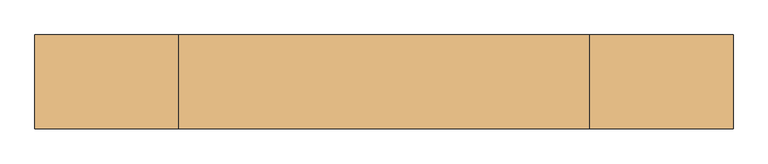
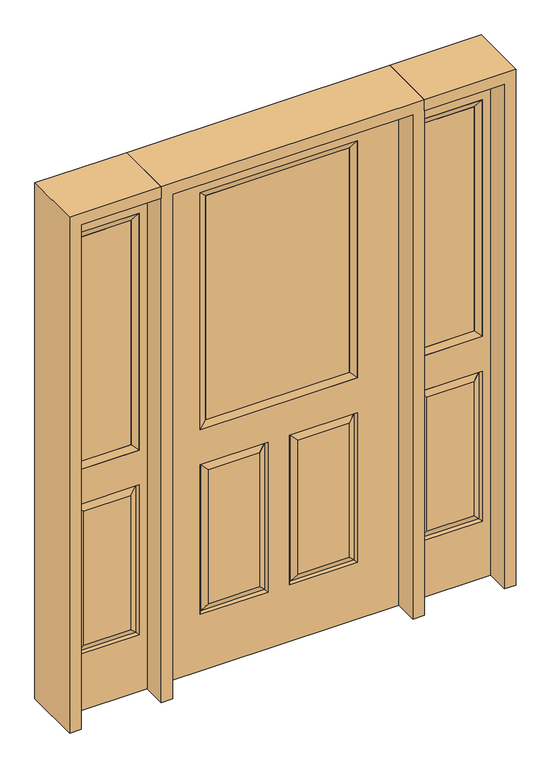
"""IFC4 building model written with IfcOpenShell, lengths in millimetres: door geometry."""

from ifc_helpers import new_model, si_unit, frame, origin, place, context, project, spatial, polyline, outline, extrude, faceted_brep, source, transform, mapped, element, save


def door_d64e4acf(model_context):
    return source(origin(), model_context, "Body", "SolidModel", [
        faceted_brep([(-457.2, -22.225, 0.0), (457.2, -22.225, 0.0), (457.2, -22.225, 2032.0), (-457.2, -22.225, 2032.0), (-299.339, -22.225, 971.55), (-299.339, -22.225, 1925.574), (299.339, -22.225, 1925.574), (299.339, -22.225, 971.55), (-299.339, -22.225, 831.85), (-41.275, -22.225, 831.85), (-41.275, -22.225, 228.6), (-299.339, -22.225, 228.6), (41.275, -22.225, 831.85), (299.339, -22.225, 831.85), (299.339, -22.225, 228.6), (41.275, -22.225, 228.6), (-73.025, -22.225, 800.1), (-267.589, -22.225, 800.1), (-267.589, -22.225, 260.35), (-73.025, -22.225, 260.35), (267.589, -22.225, 800.1), (73.025, -22.225, 800.1), (73.025, -22.225, 260.35), (267.589, -22.225, 260.35), (-457.2, 22.225, 0.0), (457.2, 22.225, 0.0), (457.2, 22.225, 2032.0), (-457.2, 22.225, 2032.0), (-299.339, 22.225, 971.55), (-299.339, 22.225, 1925.574), (299.339, 22.225, 1925.574), (299.339, 22.225, 971.55), (-41.275, 22.225, 831.85), (-299.339, 22.225, 831.85), (-299.339, 22.225, 228.6), (-41.275, 22.225, 228.6), (299.339, 22.225, 831.85), (41.275, 22.225, 831.85), (41.275, 22.225, 228.6), (299.339, 22.225, 228.6), (-267.589, 22.225, 800.1), (-73.025, 22.225, 800.1), (-73.025, 22.225, 260.35), (-267.589, 22.225, 260.35), (73.025, 22.225, 800.1), (267.589, 22.225, 800.1), (267.589, 22.225, 260.35), (73.025, 22.225, 260.35), (-48.41875, -12.7449236, 824.70625), (-292.19525, -12.7449236, 824.70625), (-292.19525, -12.7449236, 235.74375), (-48.41875, -12.7449236, 235.74375), (292.19525, -12.7449236, 824.70625), (48.41875, -12.7449236, 824.70625), (48.41875, -12.7449236, 235.74375), (292.19525, -12.7449236, 235.74375), (-292.19525, 12.7449236, 824.70625), (-48.41875, 12.7449236, 824.70625), (-48.41875, 12.7449236, 235.74375), (-292.19525, 12.7449236, 235.74375), (48.41875, 12.7449236, 824.70625), (292.19525, 12.7449236, 824.70625), (292.19525, 12.7449236, 235.74375), (48.41875, 12.7449236, 235.74375)], [[[0, 1, 2, 3], [4, 5, 6, 7], [8, 9, 10, 11], [12, 13, 14, 15]], [[16, 17, 18, 19]], [[20, 21, 22, 23]], [[1, 0, 24, 25]], [[2, 1, 25, 26]], [[0, 3, 27, 24]], [[5, 4, 28, 29]], [[7, 6, 30, 31]], [[4, 7, 31, 28]], [[24, 27, 26, 25], [28, 31, 30, 29], [32, 33, 34, 35], [36, 37, 38, 39]], [[40, 41, 42, 43]], [[44, 45, 46, 47]], [[3, 2, 26, 27]], [[6, 5, 29, 30]], [[16, 48, 49, 17]], [[17, 49, 50, 18]], [[51, 19, 18, 50]], [[48, 16, 19, 51]], [[49, 48, 9, 8]], [[9, 48, 51, 10]], [[10, 51, 50, 11]], [[49, 8, 11, 50]], [[52, 53, 21, 20]], [[21, 53, 54, 22]], [[22, 54, 55, 23]], [[52, 20, 23, 55]], [[53, 52, 13, 12]], [[13, 52, 55, 14]], [[54, 15, 14, 55]], [[53, 12, 15, 54]], [[56, 57, 41, 40]], [[41, 57, 58, 42]], [[42, 58, 59, 43]], [[56, 40, 43, 59]], [[57, 56, 33, 32]], [[33, 56, 59, 34]], [[58, 35, 34, 59]], [[57, 32, 35, 58]], [[44, 60, 61, 45]], [[45, 61, 62, 46]], [[63, 47, 46, 62]], [[60, 44, 47, 63]], [[61, 60, 37, 36]], [[37, 60, 63, 38]], [[38, 63, 62, 39]], [[61, 36, 39, 62]]]),
        extrude(outline(polyline([(273.939, -12.7), (-273.939, -12.7), (-273.939, 12.7), (273.939, 12.7), (273.939, -12.7)])), frame((0.0, 0.0, 996.95), z_axis=(0.0, 0.0, 1.0), x_axis=(1.0, 0.0, 0.0)), (0.0, 0.0, 1.0), 903.224),
        faceted_brep([(-299.339, -22.225, 1925.574), (-299.339, 22.225, 1925.574), (-299.339, 22.225, 971.55), (-299.339, -22.225, 971.55), (299.339, 22.225, 971.55), (299.339, -22.225, 971.55), (-273.939, 12.7, 996.95), (273.939, 12.7, 996.95), (299.339, 22.225, 1925.574), (299.339, -22.225, 1925.574), (-273.939, -12.7, 996.95), (273.939, -12.7, 996.95), (-273.939, -12.7, 1900.174), (273.939, -12.7, 1900.174), (-273.939, 12.7, 1900.174), (273.939, 12.7, 1900.174)], [[[0, 1, 2, 3]], [[3, 2, 4, 5]], [[2, 6, 7, 4]], [[5, 4, 8, 9]], [[10, 3, 5, 11]], [[12, 0, 3, 10]], [[11, 5, 9, 13]], [[6, 10, 11, 7]], [[14, 12, 10, 6]], [[7, 11, 13, 15]], [[1, 14, 6, 2]], [[4, 7, 15, 8]], [[9, 8, 1, 0]], [[13, 9, 0, 12]], [[15, 13, 12, 14]], [[8, 15, 14, 1]]]),
        faceted_brep([(806.45, -22.225, 0.0), (806.45, -22.225, 2032.0), (501.65, -22.225, 2032.0), (501.65, -22.225, 0.0), (532.638, -22.225, 1925.574), (775.462, -22.225, 1925.574), (775.462, -22.225, 971.55), (532.638, -22.225, 971.55), (532.638, -22.225, 228.6), (532.638, -22.225, 831.85), (775.462, -22.225, 831.85), (775.462, -22.225, 228.6), (743.5559872, -22.225, 260.5060128), (743.5559872, -22.225, 799.9439872), (564.5440128, -22.225, 799.9439872), (564.5440128, -22.225, 260.5060128), (501.65, 22.225, 0.0), (806.45, 22.225, 0.0), (501.65, 22.225, 2032.0), (806.45, 22.225, 2032.0), (532.638, 22.225, 971.55), (532.638, 22.225, 1925.574), (775.462, 22.225, 971.55), (775.462, 22.225, 1925.574), (775.462, 22.225, 228.6), (775.462, 22.225, 831.85), (532.638, 22.225, 831.85), (532.638, 22.225, 228.6), (564.5440128, 22.225, 260.5060128), (564.5440128, 22.225, 799.9439872), (743.5559872, 22.225, 799.9439872), (743.5559872, 22.225, 260.5060128), (768.5419933, -13.0418409, 235.5200067), (539.5580067, -13.0418409, 235.5200067), (768.5419933, -13.0418409, 824.9299933), (539.5580067, -13.0418409, 824.9299933), (768.5419933, 13.0418409, 235.5200067), (539.5580067, 13.0418409, 235.5200067), (539.5580067, 13.0418409, 824.9299933), (768.5419933, 13.0418409, 824.9299933)], [[[0, 1, 2, 3], [4, 5, 6, 7], [8, 9, 10, 11]], [[12, 13, 14, 15]], [[3, 16, 17, 0]], [[2, 18, 16, 3]], [[0, 17, 19, 1]], [[7, 20, 21, 4]], [[6, 22, 20, 7]], [[5, 23, 22, 6]], [[17, 16, 18, 19], [21, 20, 22, 23], [24, 25, 26, 27]], [[28, 29, 30, 31]], [[1, 19, 18, 2]], [[4, 21, 23, 5]], [[8, 11, 32, 33]], [[11, 10, 34, 32]], [[35, 34, 10, 9]], [[33, 35, 9, 8]], [[32, 12, 15, 33]], [[15, 14, 35, 33]], [[14, 13, 34, 35]], [[32, 34, 13, 12]], [[36, 24, 27, 37]], [[27, 26, 38, 37]], [[26, 25, 39, 38]], [[36, 39, 25, 24]], [[37, 28, 31, 36]], [[31, 30, 39, 36]], [[38, 39, 30, 29]], [[37, 38, 29, 28]]]),
        extrude(outline(polyline([(558.038, -12.7), (558.038, 12.7), (750.062, 12.7), (750.062, -12.7), (558.038, -12.7)])), frame((0.0, 0.0, 996.95), z_axis=(0.0, 0.0, 1.0), x_axis=(1.0, 0.0, 0.0)), (0.0, 0.0, 1.0), 903.224),
        faceted_brep([(775.462, -22.225, 1925.574), (775.462, -22.225, 971.55), (775.462, 22.225, 971.55), (775.462, 22.225, 1925.574), (532.638, -22.225, 971.55), (532.638, 22.225, 971.55), (558.038, 12.7, 996.95), (750.062, 12.7, 996.95), (532.638, -22.225, 1925.574), (532.638, 22.225, 1925.574), (750.062, -12.7, 996.95), (558.038, -12.7, 996.95), (750.062, -12.7, 1900.174), (558.038, -12.7, 1900.174), (750.062, 12.7, 1900.174), (558.038, 12.7, 1900.174)], [[[0, 1, 2, 3]], [[1, 4, 5, 2]], [[2, 5, 6, 7]], [[4, 8, 9, 5]], [[10, 11, 4, 1]], [[12, 10, 1, 0]], [[11, 13, 8, 4]], [[7, 6, 11, 10]], [[14, 7, 10, 12]], [[6, 15, 13, 11]], [[3, 2, 7, 14]], [[5, 9, 15, 6]], [[8, 0, 3, 9]], [[13, 12, 0, 8]], [[15, 14, 12, 13]], [[9, 3, 14, 15]]]),
        faceted_brep([(-806.45, -22.225, 0.0), (-501.65, -22.225, 0.0), (-501.65, -22.225, 2032.0), (-806.45, -22.225, 2032.0), (-532.638, -22.225, 1925.574), (-532.638, -22.225, 971.55), (-775.462, -22.225, 971.55), (-775.462, -22.225, 1925.574), (-532.638, -22.225, 228.6), (-775.462, -22.225, 228.6), (-775.462, -22.225, 831.85), (-532.638, -22.225, 831.85), (-743.5559872, -22.225, 260.5060128), (-564.5440128, -22.225, 260.5060128), (-564.5440128, -22.225, 799.9439872), (-743.5559872, -22.225, 799.9439872), (-806.45, 22.225, 0.0), (-501.65, 22.225, 0.0), (-501.65, 22.225, 2032.0), (-806.45, 22.225, 2032.0), (-532.638, 22.225, 1925.574), (-532.638, 22.225, 971.55), (-775.462, 22.225, 971.55), (-775.462, 22.225, 1925.574), (-775.462, 22.225, 228.6), (-532.638, 22.225, 228.6), (-532.638, 22.225, 831.85), (-775.462, 22.225, 831.85), (-564.5440128, 22.225, 260.5060128), (-743.5559872, 22.225, 260.5060128), (-743.5559872, 22.225, 799.9439872), (-564.5440128, 22.225, 799.9439872), (-539.5580067, -13.0418409, 235.5200067), (-768.5419933, -13.0418409, 235.5200067), (-768.5419933, -13.0418409, 824.9299933), (-539.5580067, -13.0418409, 824.9299933), (-768.5419933, 13.0418409, 235.5200067), (-539.5580067, 13.0418409, 235.5200067), (-539.5580067, 13.0418409, 824.9299933), (-768.5419933, 13.0418409, 824.9299933)], [[[0, 1, 2, 3], [4, 5, 6, 7], [8, 9, 10, 11]], [[12, 13, 14, 15]], [[1, 0, 16, 17]], [[2, 1, 17, 18]], [[0, 3, 19, 16]], [[5, 4, 20, 21]], [[6, 5, 21, 22]], [[7, 6, 22, 23]], [[16, 19, 18, 17], [20, 23, 22, 21], [24, 25, 26, 27]], [[28, 29, 30, 31]], [[3, 2, 18, 19]], [[4, 7, 23, 20]], [[8, 32, 33, 9]], [[9, 33, 34, 10]], [[35, 11, 10, 34]], [[32, 8, 11, 35]], [[33, 32, 13, 12]], [[13, 32, 35, 14]], [[14, 35, 34, 15]], [[33, 12, 15, 34]], [[36, 37, 25, 24]], [[25, 37, 38, 26]], [[26, 38, 39, 27]], [[36, 24, 27, 39]], [[37, 36, 29, 28]], [[29, 36, 39, 30]], [[38, 31, 30, 39]], [[37, 28, 31, 38]]]),
        extrude(outline(polyline([(-558.038, -12.7), (-750.062, -12.7), (-750.062, 12.7), (-558.038, 12.7), (-558.038, -12.7)])), frame((0.0, 0.0, 996.95), z_axis=(0.0, 0.0, 1.0), x_axis=(1.0, 0.0, 0.0)), (0.0, 0.0, 1.0), 903.224),
        faceted_brep([(-775.462, -22.225, 1925.574), (-775.462, 22.225, 1925.574), (-775.462, 22.225, 971.55), (-775.462, -22.225, 971.55), (-532.638, 22.225, 971.55), (-532.638, -22.225, 971.55), (-750.062, 12.7, 996.95), (-558.038, 12.7, 996.95), (-532.638, 22.225, 1925.574), (-532.638, -22.225, 1925.574), (-750.062, -12.7, 996.95), (-558.038, -12.7, 996.95), (-750.062, -12.7, 1900.174), (-558.038, -12.7, 1900.174), (-750.062, 12.7, 1900.174), (-558.038, 12.7, 1900.174)], [[[0, 1, 2, 3]], [[3, 2, 4, 5]], [[2, 6, 7, 4]], [[5, 4, 8, 9]], [[10, 3, 5, 11]], [[12, 0, 3, 10]], [[11, 5, 9, 13]], [[6, 10, 11, 7]], [[14, 12, 10, 6]], [[7, 11, 13, 15]], [[1, 14, 6, 2]], [[4, 7, 15, 8]], [[9, 8, 1, 0]], [[13, 9, 0, 12]], [[15, 13, 12, 14]], [[8, 15, 14, 1]]]),
        extrude(outline(polyline([(2032.0, -501.65), (2076.45, -501.65), (2076.45, -850.9), (0.0, -850.9), (0.0, -806.45), (2032.0, -806.45), (2032.0, -501.65)])), frame((0.0, -114.3, 0.0), z_axis=(0.0, 1.0, 0.0), x_axis=(0.0, 0.0, 1.0)), (0.0, 0.0, 1.0), 228.6),
        extrude(outline(polyline([(2076.45, 501.65), (2032.0, 501.65), (2032.0, 806.45), (0.0, 806.45), (0.0, 850.9), (2076.45, 850.9), (2076.45, 501.65)])), frame((0.0, -114.3, 0.0), z_axis=(0.0, 1.0, 0.0), x_axis=(0.0, 0.0, 1.0)), (0.0, 0.0, 1.0), 228.6),
        extrude(outline(polyline([(0.0, -501.65), (0.0, -457.2), (2032.0, -457.2), (2032.0, 457.2), (0.0, 457.2), (0.0, 501.65), (2076.45, 501.65), (2076.45, -501.65), (0.0, -501.65)])), frame((0.0, -114.3, 0.0), z_axis=(0.0, 1.0, 0.0), x_axis=(0.0, 0.0, 1.0)), (0.0, 0.0, 1.0), 228.6),
    ])


if __name__ == "__main__":
    model = new_model("IFC4")
    model_context = context("Model", 3, world=origin())
    ifc_project = project(units=[si_unit("LENGTHUNIT", "METRE", prefix="MILLI")], contexts=[model_context])
    site = spatial("IfcSite", under=ifc_project)
    building = spatial("IfcBuilding", under=site)
    placement = place(None, origin())
    door_shape = door_d64e4acf(model_context)
    element("IfcDoor", 1, at=placement, inside=building, context=model_context, shape_type="MappedRepresentation", body=[
        mapped(door_shape, transform((0.0, 0.0, 0.0), x_axis=(1.0, 0.0, 0.0), y_axis=(0.0, 1.0, 0.0), z_axis=(0.0, 0.0, 1.0))),
    ])
    save(model, "model.ifc")
